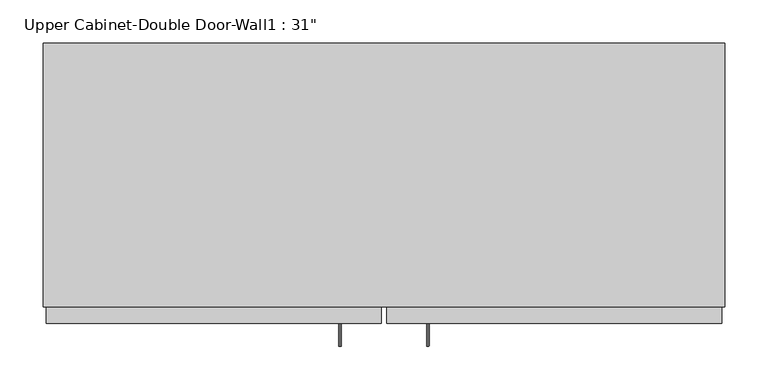
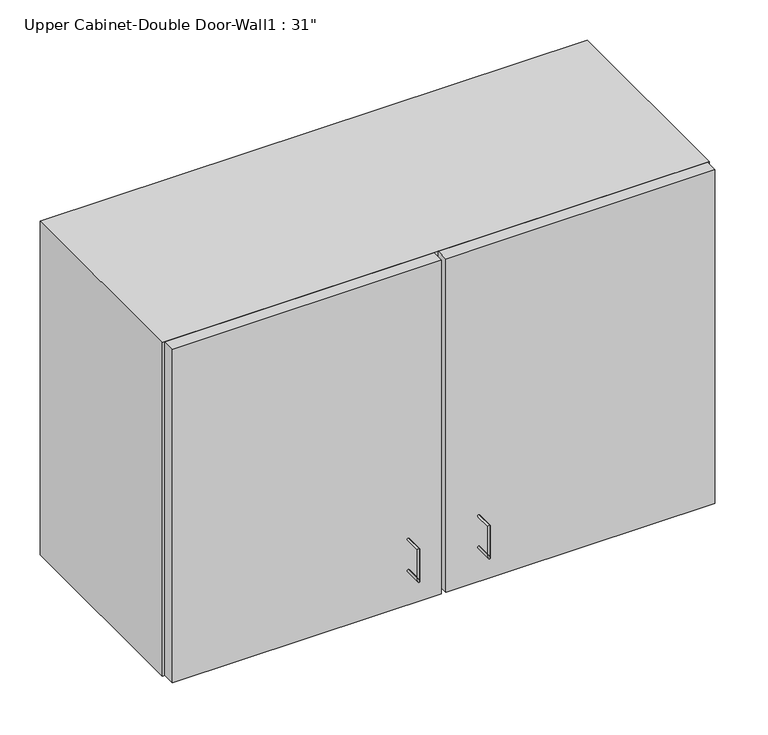
"""IFC4 building model written with IfcOpenShell, lengths in millimetres: furniture geometry."""

import ifcopenshell
import ifcopenshell.guid

model = None  # the IFC model being written
_history = None  # IfcOwnerHistory: only IFC2X3 demands one
_inside = {}  # id of a spatial element -> (the spatial element, [elements in it])
_under = {}  # id of a project, library or spatial element -> (it, [spatial elements below it])
_declared = {}  # id of a project -> (the project, [libraries it declares])
_typed = {}  # id of a type object -> (the type object, [elements of that type])
_made_of = {}  # id of a material, layer set ... -> (it, [elements and type objects made of it])


def new_model(schema):
    """Start an empty IFC model of exactly this schema.

    Asked for "IFC4X3", IfcOpenShell would pick the latest addendum, in which some entities
    have other attributes; the version numbers below select the first issue.
    IFC2X3 requires an IfcOwnerHistory on every rooted entity: one is made here for all.
    """
    global model, _history
    if schema == "IFC4X3":
        model = ifcopenshell.file(schema_version=(4, 3, 0, 0))
    else:
        model = ifcopenshell.file(schema=schema)
    _inside.clear()
    _under.clear()
    _declared.clear()
    _typed.clear()
    _made_of.clear()
    _history = None
    if model.schema == "IFC2X3":
        org = make("IfcOrganization", Name="unknown")
        user = make(
            "IfcPersonAndOrganization",
            ThePerson=make("IfcPerson", FamilyName="unknown"),
            TheOrganization=org,
        )
        app = make(
            "IfcApplication",
            ApplicationDeveloper=org,
            Version="unknown",
            ApplicationFullName="unknown",
            ApplicationIdentifier="unknown",
        )
        _history = make(
            "IfcOwnerHistory",
            OwningUser=user,
            OwningApplication=app,
            ChangeAction="ADDED",
            CreationDate=0,
        )
    return model


def make(cls, **values):
    """One entity of the class cls with the attributes given. An attribute that is None is left unset."""
    return model.create_entity(
        cls, **{name: value for name, value in values.items() if value is not None}
    )


def rooted(cls, **values):
    """An entity with a GlobalId (a new one), such as an element, a storey or a relation."""
    return make(cls, GlobalId=ifcopenshell.guid.new(), OwnerHistory=_history, **values)


def si_unit(unit_type, name, prefix=None):
    """IfcSIUnit, for example si_unit("LENGTHUNIT", "METRE", prefix="MILLI")."""
    return make("IfcSIUnit", UnitType=unit_type, Prefix=prefix, Name=name)


def assignment(units):
    """IfcUnitAssignment: the units of a project."""
    return None if units is None else make("IfcUnitAssignment", Units=units)


def point(xyz):
    """IfcCartesianPoint."""
    return None if xyz is None else make("IfcCartesianPoint", Coordinates=xyz)


def direction(xyz):
    """IfcDirection."""
    return None if xyz is None else make("IfcDirection", DirectionRatios=xyz)


def frame(location, z_axis=None, x_axis=None):
    """IfcAxis2Placement3D, a coordinate frame: its origin and axes. An axis left out is left unset."""
    return make(
        "IfcAxis2Placement3D",
        Location=point(location),
        Axis=direction(z_axis),
        RefDirection=direction(x_axis),
    )


def origin():
    """The frame at (0, 0, 0) with its axes left unset."""
    return frame((0.0, 0.0, 0.0))


def place(relative_to, where):
    """IfcLocalPlacement: puts the frame where relative to a parent placement (None: the world)."""
    return make(
        "IfcLocalPlacement", PlacementRelTo=relative_to, RelativePlacement=where
    )


def context(
    kind, dimensions, precision=None, world=None, true_north=None, identifier=None
):
    """IfcGeometricRepresentationContext, for example the 3D "Model" context."""
    return make(
        "IfcGeometricRepresentationContext",
        ContextIdentifier=identifier,
        ContextType=kind,
        CoordinateSpaceDimension=dimensions,
        Precision=precision,
        WorldCoordinateSystem=world,
        TrueNorth=true_north,
    )


def project(units=None, contexts=None):
    """IfcProject with its units and contexts."""
    return rooted(
        "IfcProject",
        Name="project",
        RepresentationContexts=contexts,
        UnitsInContext=assignment(units),
    )


def spatial(cls, under=None, at=None, **own):
    """A site, building, storey or space (cls), placed at a placement, below another one or the project."""
    s = rooted(cls, ObjectPlacement=at, **own)
    if under is not None:
        _under.setdefault(under.id(), (under, []))[1].append(s)
    return s


def polyline(points):
    """IfcPolyline through the points."""
    return make("IfcPolyline", Points=[point(p) for p in points])


def circle_curve(where, radius):
    """IfcCircle in the frame where."""
    return make("IfcCircle", Position=where, Radius=radius)


def ellipse_curve(where, semi_axis1, semi_axis2):
    """IfcEllipse in the frame where."""
    return make(
        "IfcEllipse", Position=where, SemiAxis1=semi_axis1, SemiAxis2=semi_axis2
    )


def outline(outer, holes=None, kind="AREA"):
    """IfcArbitraryClosedProfileDef: a profile drawn as a closed curve; with holes, ...WithVoids."""
    if holes is None:
        return make("IfcArbitraryClosedProfileDef", ProfileType=kind, OuterCurve=outer)
    return make(
        "IfcArbitraryProfileDefWithVoids",
        ProfileType=kind,
        OuterCurve=outer,
        InnerCurves=holes,
    )


def extrude(swept, where, along, depth):
    """IfcExtrudedAreaSolid: the profile swept, set in the frame where, extruded along a direction by depth."""
    return make(
        "IfcExtrudedAreaSolid",
        SweptArea=swept,
        Position=where,
        ExtrudedDirection=direction(along),
        Depth=depth,
    )


def faces_of(points, faces, orient=None, outer=None):
    """IfcFace entities. A face is a list of loops; a loop is a list of indices into points, from 0.

    orient and outer hold one flag for each loop. By default every Orientation is true, the
    first loop of a face is its IfcFaceOuterBound and the others are IfcFaceBound.
    """
    made = []
    for i, loops in enumerate(faces):
        bounds = []
        for j, loop in enumerate(loops):
            is_outer = j == 0 if outer is None else outer[i][j]
            bounds.append(
                make(
                    "IfcFaceOuterBound" if is_outer else "IfcFaceBound",
                    Bound=make("IfcPolyLoop", Polygon=[points[k] for k in loop]),
                    Orientation=True if orient is None else orient[i][j],
                )
            )
        made.append(make("IfcFace", Bounds=bounds))
    return made


def faceted_brep(points, faces, orient=None, outer=None, voids=None):
    """IfcFacetedBrep: a solid bounded by flat faces; with voids (closed shells), ...WithVoids."""
    shared = [point(p) for p in points]
    hull = make("IfcClosedShell", CfsFaces=faces_of(shared, faces, orient, outer))
    if voids is None:
        return make("IfcFacetedBrep", Outer=hull)
    return make(
        "IfcFacetedBrepWithVoids",
        Outer=hull,
        Voids=[
            make(cls, CfsFaces=faces_of(shared, fs, o, b)) for cls, fs, o, b in voids
        ],
    )


def shape(context_of_items, identifier, shape_type, items):
    """IfcShapeRepresentation: the items that make up one representation, for example the "Body"."""
    return make(
        "IfcShapeRepresentation",
        ContextOfItems=context_of_items,
        RepresentationIdentifier=identifier,
        RepresentationType=shape_type,
        Items=items,
    )


def source(mapping_origin, context_of_items, identifier, shape_type, items):
    """IfcRepresentationMap: a shape defined once, which mapped items show again and again."""
    return make(
        "IfcRepresentationMap",
        MappingOrigin=mapping_origin,
        MappedRepresentation=shape(context_of_items, identifier, shape_type, items),
    )


def transform(
    local_origin,
    x_axis=None,
    y_axis=None,
    z_axis=None,
    scale=None,
    scale2=None,
    scale3=None,
    uniform=True,
):
    """IfcCartesianTransformationOperator3D, or its non-uniform kind. x_axis, y_axis, z_axis: its Axis1, 2, 3."""
    if uniform:
        return make(
            "IfcCartesianTransformationOperator3D",
            Axis1=direction(x_axis),
            Axis2=direction(y_axis),
            LocalOrigin=point(local_origin),
            Scale=scale,
            Axis3=direction(z_axis),
        )
    return make(
        "IfcCartesianTransformationOperator3DnonUniform",
        Axis1=direction(x_axis),
        Axis2=direction(y_axis),
        LocalOrigin=point(local_origin),
        Scale=scale,
        Axis3=direction(z_axis),
        Scale2=scale2,
        Scale3=scale3,
    )


def mapped(mapping_source, mapping_target):
    """IfcMappedItem: shows the shape of a source again, moved by a transform."""
    return make(
        "IfcMappedItem", MappingSource=mapping_source, MappingTarget=mapping_target
    )


def made_of(thing, what):
    """Note that an element or type object is made of a material, layer set ...; save() writes the relation."""
    if what is not None:
        _made_of.setdefault(what.id(), (what, []))[1].append(thing)
    return thing


def element(
    cls,
    number,
    at=None,
    inside=None,
    cuts=None,
    type_object=None,
    material=None,
    context=None,
    identifier="Body",
    shape_type=None,
    held_by="IfcProductDefinitionShape",
    body=None,
    shapes=None,
    **own,
):
    """One element of the class cls, such as IfcWall. Its Tag is "e" and its number.

    at: its placement. inside: the storey or other place that contains it. cuts: it is an
    opening in that element (IfcRelVoidsElement). A single representation is given by context,
    identifier, shape_type and body (its items); several are given by shapes. held_by: the class
    of the entity that holds the representations. save() writes the other relations.
    """
    e = rooted(cls, Tag="e%d" % number, ObjectPlacement=at, **own)
    if body is not None:
        shapes = [shape(context, identifier, shape_type, body)]
    if shapes is not None:
        e.Representation = make(held_by, Representations=shapes)
    if inside is not None:
        _inside.setdefault(inside.id(), (inside, []))[1].append(e)
    if cuts is not None:
        rooted(
            "IfcRelVoidsElement", RelatingBuildingElement=cuts, RelatedOpeningElement=e
        )
    if type_object is not None:
        _typed.setdefault(type_object.id(), (type_object, []))[1].append(e)
    return made_of(e, material)


def aggregate(whole, parts):
    """IfcRelAggregates: a whole, such as a stair, and the parts it consists of."""
    return rooted("IfcRelAggregates", RelatingObject=whole, RelatedObjects=parts)


def save(model, path):
    """Write the relations noted so far, then the file.

    IfcRelAggregates (storeys below a building ...), IfcRelContainedInSpatialStructure (elements
    in a storey), IfcRelDefinesByType, IfcRelAssociatesMaterial and IfcRelDeclares: one each for
    every whole, place, type object, material and project.
    """
    for whole, parts in _under.values():
        aggregate(whole, parts)
    for where, things in _inside.values():
        rooted(
            "IfcRelContainedInSpatialStructure",
            RelatedElements=things,
            RelatingStructure=where,
        )
    for kind, things in _typed.values():
        rooted("IfcRelDefinesByType", RelatedObjects=things, RelatingType=kind)
    for what, things in _made_of.values():
        rooted("IfcRelAssociatesMaterial", RelatedObjects=things, RelatingMaterial=what)
    for by, libraries in _declared.values():
        rooted("IfcRelDeclares", RelatingContext=by, RelatedDefinitions=libraries)
    model.write(path)


def plane_surface(at):
    """IfcPlane: the flat surface through the origin of the frame at, square to its z axis."""
    return make("IfcPlane", Position=at)


def cylinder_surface(at, radius):
    """IfcCylindricalSurface: all points at the distance radius from the z axis of the frame at."""
    return make("IfcCylindricalSurface", Position=at, Radius=radius)


def advanced_brep(points, edges, surfaces, faces):
    """IfcAdvancedBrep: a solid bounded by faces that lie on surfaces and meet in shared edges.

    An edge is (start, end): straight between two places in points (the first is 0);
    or (start, end, curve); or (start, end, curve, False) where it runs against its curve.
    A face is (place in surfaces, loops), or (place, loops, False) where it looks against
    its surface's normal. A loop lists edges by number (the first is 1), with a minus sign
    where the edge is run from its end to its start. The first loop is the outer one.
    """
    corners = [point(p) for p in points]
    vertices = [make("IfcVertexPoint", VertexGeometry=c) for c in corners]
    made = []
    for start, end, *more in edges:
        made.append(
            make(
                "IfcEdgeCurve",
                EdgeStart=vertices[start],
                EdgeEnd=vertices[end],
                EdgeGeometry=more[0] if more else make("IfcPolyline", Points=[corners[start], corners[end]]),
                SameSense=more[1] if len(more) > 1 else True,
            )
        )
    hull = []
    for where, loops, *sense in faces:
        bounds = []
        for j, loop in enumerate(loops):
            ring = [make("IfcOrientedEdge", EdgeElement=made[abs(k) - 1], Orientation=k > 0) for k in loop]
            bounds.append(
                make(
                    "IfcFaceOuterBound" if j == 0 else "IfcFaceBound",
                    Bound=make("IfcEdgeLoop", EdgeList=ring),
                    Orientation=True,
                )
            )
        hull.append(make("IfcAdvancedFace", Bounds=bounds, FaceSurface=surfaces[where], SameSense=sense[0] if sense else True))
    return make("IfcAdvancedBrep", Outer=make("IfcClosedShell", CfsFaces=hull))


def furniture_f2e28b26(model_context):
    return source(origin(), model_context, "Body", "SolidModel", [
        advanced_brep(
        [(80.5132081, -396.225, 1679.575), (80.5132081, -396.225, 1676.4), (80.5132081, -423.2125, 1676.4), (80.5132081, -420.0375, 1679.575), (80.5132081, -423.2125, 1727.2), (80.5132081, -420.0375, 1724.025), (80.5132081, -396.225, 1724.025), (80.5132081, -396.225, 1727.2)],
        [
            (0, 1, circle_curve(frame((80.5132081, -396.225, 1677.9875), z_axis=(0.0, 1.0, 0.0), x_axis=(0.0, 0.0, -1.0)), 1.5875)),
            (1, 0, circle_curve(frame((80.5132081, -396.225, 1677.9875), z_axis=(0.0, 1.0, 0.0), x_axis=(0.0, 0.0, -1.0)), 1.5875)),
            (1, 2),
            (2, 3, ellipse_curve(frame((80.5132081, -421.625, 1677.9875), z_axis=(0.0, 0.7071067811865538, -0.7071067811865412), x_axis=(0.0, 0.7071067811865412, 0.7071067811865538)), 2.245064, 1.5875)),
            (3, 0),
            (3, 2, ellipse_curve(frame((80.5132081, -421.625, 1677.9875), z_axis=(0.0, 0.7071067811865538, -0.7071067811865412), x_axis=(0.0, 0.7071067811865412, 0.7071067811865538)), 2.245064, 1.5875)),
            (2, 4),
            (4, 5, ellipse_curve(frame((80.5132081, -421.625, 1725.6125), z_axis=(0.0, -0.7071067811865412, -0.7071067811865538), x_axis=(0.0, 0.7071067811865538, -0.7071067811865412)), 2.245064, 1.5875)),
            (5, 3),
            (5, 4, ellipse_curve(frame((80.5132081, -421.625, 1725.6125), z_axis=(0.0, -0.7071067811865412, -0.7071067811865538), x_axis=(0.0, 0.7071067811865538, -0.7071067811865412)), 2.245064, 1.5875)),
            (6, 7, circle_curve(frame((80.5132081, -396.225, 1725.6125), z_axis=(0.0, 1.0, 0.0), x_axis=(0.0, 0.0, 1.0)), 1.5875)),
            (7, 6, circle_curve(frame((80.5132081, -396.225, 1725.6125), z_axis=(0.0, 1.0, 0.0), x_axis=(0.0, 0.0, 1.0)), 1.5875)),
            (4, 7),
            (6, 5),
        ],
        [
            plane_surface(frame((80.5132081, -396.225, 1677.9875), z_axis=(0.0, 1.0, 0.0), x_axis=(-1.0, 0.0, 0.0))),
            cylinder_surface(frame((80.5132081, -396.225, 1677.9875), z_axis=(0.0, 1.0, 0.0), x_axis=(0.0, 0.0, -1.0)), 1.5875),
            cylinder_surface(frame((80.5132081, -421.625, 1677.9875), z_axis=(0.0, 0.0, -1.0), x_axis=(0.0, -1.0, 0.0)), 1.5875),
            plane_surface(frame((80.5132081, -396.225, 1725.6125), z_axis=(0.0, 1.0, 0.0), x_axis=(-1.0, 0.0, 0.0))),
            cylinder_surface(frame((80.5132081, -421.625, 1725.6125), z_axis=(0.0, -1.0, 0.0), x_axis=(0.0, 0.0, 1.0)), 1.5875),
        ],
        [
            (0, [[1, 2]]),
            (1, [[3, 4, 5, -2]]),
            (1, [[-5, 6, -3, -1]]),
            (2, [[7, 8, 9, -4]]),
            (2, [[-9, 10, -7, -6]]),
            (3, [[11, 12]]),
            (4, [[13, -11, 14, -8]]),
            (4, [[-14, -12, -13, -10]]),
        ],
    ),
        advanced_brep(
        [(-21.0867919, -396.225, 1679.575), (-21.0867919, -396.225, 1676.4), (-21.0867919, -423.2125, 1676.4), (-21.0867919, -420.0375, 1679.575), (-21.0867919, -423.2125, 1727.2), (-21.0867919, -420.0375, 1724.025), (-21.0867919, -396.225, 1724.025), (-21.0867919, -396.225, 1727.2)],
        [
            (0, 1, circle_curve(frame((-21.0867919, -396.225, 1677.9875), z_axis=(0.0, 1.0, 0.0), x_axis=(0.0, 0.0, -1.0)), 1.5875)),
            (1, 0, circle_curve(frame((-21.0867919, -396.225, 1677.9875), z_axis=(0.0, 1.0, 0.0), x_axis=(0.0, 0.0, -1.0)), 1.5875)),
            (1, 2),
            (2, 3, ellipse_curve(frame((-21.0867919, -421.625, 1677.9875), z_axis=(0.0, 0.7071067811865533, -0.7071067811865417), x_axis=(0.0, 0.7071067811865417, 0.7071067811865533)), 2.245064, 1.5875)),
            (3, 0),
            (3, 2, ellipse_curve(frame((-21.0867919, -421.625, 1677.9875), z_axis=(0.0, 0.7071067811865533, -0.7071067811865417), x_axis=(0.0, 0.7071067811865417, 0.7071067811865533)), 2.245064, 1.5875)),
            (2, 4),
            (4, 5, ellipse_curve(frame((-21.0867919, -421.625, 1725.6125), z_axis=(0.0, -0.7071067811865418, -0.7071067811865531), x_axis=(0.0, 0.707106781186553, -0.7071067811865419)), 2.245064, 1.5875)),
            (5, 3),
            (5, 4, ellipse_curve(frame((-21.0867919, -421.625, 1725.6125), z_axis=(0.0, -0.7071067811865418, -0.7071067811865531), x_axis=(0.0, 0.707106781186553, -0.7071067811865419)), 2.245064, 1.5875)),
            (6, 7, circle_curve(frame((-21.0867919, -396.225, 1725.6125), z_axis=(0.0, 1.0, 0.0), x_axis=(0.0, 0.0, 1.0)), 1.5875)),
            (7, 6, circle_curve(frame((-21.0867919, -396.225, 1725.6125), z_axis=(0.0, 1.0, 0.0), x_axis=(0.0, 0.0, 1.0)), 1.5875)),
            (4, 7),
            (6, 5),
        ],
        [
            plane_surface(frame((-21.0867919, -396.225, 1677.9875), z_axis=(0.0, 1.0, 0.0), x_axis=(-1.0, 0.0, 0.0))),
            cylinder_surface(frame((-21.0867919, -396.225, 1677.9875), z_axis=(0.0, 1.0, 0.0), x_axis=(0.0, 0.0, -1.0)), 1.5875),
            cylinder_surface(frame((-21.0867919, -421.625, 1677.9875), z_axis=(0.0, 0.0, -1.0), x_axis=(0.0, -1.0, 0.0)), 1.5875),
            plane_surface(frame((-21.0867919, -396.225, 1725.6125), z_axis=(0.0, 1.0, 0.0), x_axis=(-1.0, 0.0, 0.0))),
            cylinder_surface(frame((-21.0867919, -421.625, 1725.6125), z_axis=(0.0, -1.0, 0.0), x_axis=(0.0, 0.0, 1.0)), 1.5875),
        ],
        [
            (0, [[1, 2]]),
            (1, [[3, 4, 5, -2]]),
            (1, [[-5, 6, -3, -1]]),
            (2, [[7, 8, 9, -4]]),
            (2, [[-9, 10, -7, -6]]),
            (3, [[11, 12]]),
            (4, [[13, -11, 14, -8]]),
            (4, [[-14, -12, -13, -10]]),
        ],
    ),
        faceted_brep([(-363.9288372, -72.375, 2133.6), (423.4711628, -72.375, 2133.6), (423.4711628, -72.375, 1625.6), (-363.9288372, -72.375, 1625.6), (-363.9288372, -377.175, 2133.6), (-363.9288372, -377.175, 1625.6), (423.4711628, -377.175, 1625.6), (423.4711628, -377.175, 2133.6), (404.4211628, -377.175, 2114.55), (404.4211628, -377.175, 1644.65), (55.1711628, -377.175, 1644.65), (55.1711628, -377.175, 2114.55), (-344.8788372, -377.175, 2114.55), (4.3711628, -377.175, 2114.55), (4.3711628, -377.175, 1644.65), (-344.8788372, -377.175, 1644.65), (-344.8788372, -91.425, 2114.55), (404.4211628, -91.425, 2114.55), (55.1711628, -358.125, 2114.55), (4.3711628, -358.125, 2114.55), (404.4211628, -91.425, 1644.65), (-344.8788372, -91.425, 1644.65), (4.3711628, -358.125, 1644.65), (55.1711628, -358.125, 1644.65)], [[[0, 1, 2, 3]], [[4, 5, 6, 7], [8, 9, 10, 11], [12, 13, 14, 15]], [[3, 5, 4, 0]], [[2, 6, 5, 3]], [[1, 7, 6, 2]], [[0, 4, 7, 1]], [[16, 17, 8, 11, 18, 19, 13, 12]], [[8, 17, 20, 9]], [[20, 21, 15, 14, 22, 23, 10, 9]], [[15, 21, 16, 12]], [[16, 21, 20, 17]], [[18, 11, 10, 23]], [[13, 19, 22, 14]], [[23, 22, 19, 18]]]),
        extrude(outline(polyline([(32.9461628, -396.225), (32.9461628, -377.175), (420.2961628, -377.175), (420.2961628, -396.225), (32.9461628, -396.225)])), frame((0.0, 0.0, 1625.6), z_axis=(0.0, 0.0, 1.0), x_axis=(1.0, 0.0, 0.0)), (0.0, 0.0, 1.0), 508.0),
        extrude(outline(polyline([(-360.7538372, -396.225), (-360.7538372, -377.175), (26.5961628, -377.175), (26.5961628, -396.225), (-360.7538372, -396.225)])), frame((0.0, 0.0, 1625.6), z_axis=(0.0, 0.0, 1.0), x_axis=(1.0, 0.0, 0.0)), (0.0, 0.0, 1.0), 508.0),
        extrude(outline(polyline([(404.4211628, -358.125), (-344.8788372, -358.125), (-344.8788372, -91.425), (404.4211628, -91.425), (404.4211628, -358.125)])), frame((0.0, 0.0, 1951.0326388), z_axis=(0.0, 0.0, 1.0), x_axis=(1.0, 0.0, 0.0)), (0.0, 0.0, 1.0), 12.7),
        extrude(outline(polyline([(404.4211628, -358.125), (-344.8788372, -358.125), (-344.8788372, -91.425), (404.4211628, -91.425), (404.4211628, -358.125)])), frame((0.0, 0.0, 1773.2326388), z_axis=(0.0, 0.0, 1.0), x_axis=(1.0, 0.0, 0.0)), (0.0, 0.0, 1.0), 12.7),
        extrude(outline(polyline([(404.4211628, -358.125), (-344.8788372, -358.125), (-344.8788372, -91.425), (404.4211628, -91.425), (404.4211628, -358.125)])), frame((0.0, 0.0, 1849.4326388), z_axis=(0.0, 0.0, 1.0), x_axis=(1.0, 0.0, 0.0)), (0.0, 0.0, 1.0), 12.7),
    ])


if __name__ == "__main__":
    model = new_model("IFC4")
    model_context = context("Model", 3, world=origin())
    ifc_project = project(units=[si_unit("LENGTHUNIT", "METRE", prefix="MILLI")], contexts=[model_context])
    site = spatial("IfcSite", under=ifc_project)
    building = spatial("IfcBuilding", under=site)
    placement = place(None, origin())
    furniture_shape = furniture_f2e28b26(model_context)
    element("IfcFurniture", 1, ObjectType="Upper Cabinet-Double Door-Wall1 : 31\"", at=placement, inside=building, context=model_context, shape_type="MappedRepresentation", body=[
        mapped(furniture_shape, transform((0.0, 0.0, 0.0), x_axis=(1.0, 0.0, 0.0), y_axis=(0.0, 1.0, 0.0), z_axis=(0.0, 0.0, 1.0))),
    ])
    save(model, "model.ifc")
